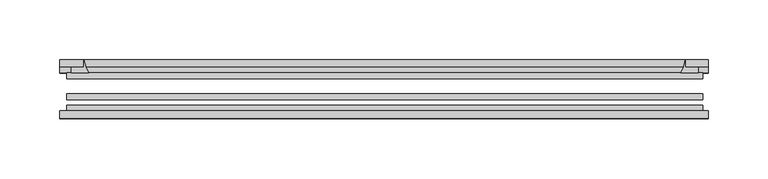
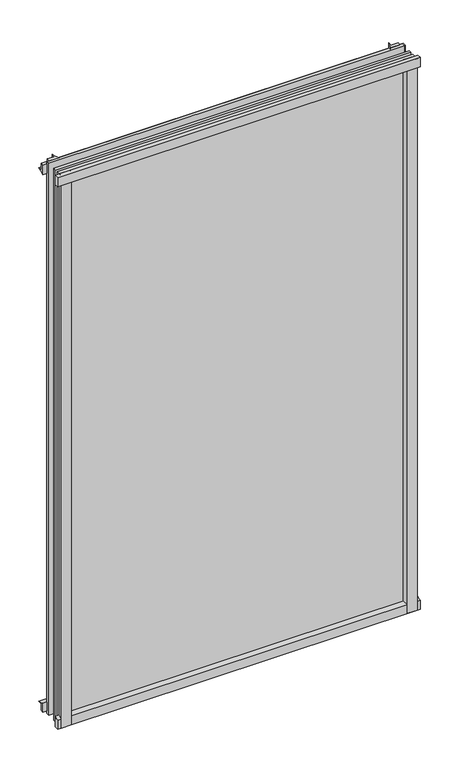
"""IFC4 building model written with IfcOpenShell, lengths in millimetres: plate geometry."""

from ifc_helpers import new_model, si_unit, point, frame, frame_2d, origin, place, context, project, spatial, polyline, circle_curve, trimmed, segment, composite_curve, outline, extrude, source, transform, mapped, element, save


def plate_b88db598(model_context):
    return source(origin(), model_context, "Body", "SweptSolid", [
        extrude(outline(composite_curve([segment(polyline([(-85.1328625, 855.6813002), (-78.7828625, 855.6813002), (-78.7828625, 839.4311909)]), True, "CONTINUOUS"), segment(trimmed(circle_curve(frame_2d((-85.0581856, 830.3814356)), 11.0126179), [point((-78.7828625, 839.4311909))], [point((-85.1328625, 841.3938002))], True, "CARTESIAN"), True, "CONTINUOUS"), segment(polyline([(-85.1328625, 841.3938002), (-85.1328625, 855.6813002)]), True, "CONTINUOUS")], self_intersect=False)), frame((-270.8671875, 0.0, 0.0), z_axis=(1.0, 0.0, 0.0), x_axis=(0.0, 1.0, 0.0)), (0.0, 0.0, 1.0), 540.54375),
        extrude(outline(composite_curve([segment(polyline([(-265.1125, -78.7828625), (-248.2512844, -78.7828625)]), True, "CONTINUOUS"), segment(trimmed(circle_curve(frame_2d((-237.6888809, -86.7604812)), 13.2365693), [point((-248.2512844, -78.7828625))], [point((-250.825, -85.1328625))], True, "CARTESIAN"), True, "CONTINUOUS"), segment(polyline([(-250.825, -85.1328625), (-265.1125, -85.1328625), (-265.1125, -78.7828625)]), True, "CONTINUOUS")], self_intersect=False)), frame((0.0, 0.0, -14.2875), z_axis=(0.0, 0.0, 1.0), x_axis=(1.0, 0.0, 0.0)), (0.0, 0.0, 1.0), 869.95),
        extrude(outline(composite_curve([segment(polyline([(265.1125, -78.7828625), (265.1125, -85.1328625), (250.825, -85.1328625)]), True, "CONTINUOUS"), segment(trimmed(circle_curve(frame_2d((237.6888809, -86.7604812)), 13.2365693), [point((250.825, -85.1328625))], [point((248.2512844, -78.7828625))], True, "CARTESIAN"), True, "CONTINUOUS"), segment(polyline([(248.2512844, -78.7828625), (265.1125, -78.7828625)]), True, "CONTINUOUS")], self_intersect=False)), frame((0.0, 0.0, -14.2875), z_axis=(0.0, 0.0, 1.0), x_axis=(1.0, 0.0, 0.0)), (0.0, 0.0, 1.0), 869.95),
        extrude(outline(composite_curve([segment(polyline([(-47.1852625, -10.4712201), (-47.1852625, 3.9588469)]), True, "CONTINUOUS"), segment(trimmed(circle_curve(frame_2d((-30.6824422, 32.267054)), 32.7673262), [point((-47.1852625, 3.9588469))], [point((-36.3503395, -0.00635))], True, "CARTESIAN"), True, "CONTINUOUS"), segment(polyline([(-36.3503395, -0.00635), (-42.2830625, -0.00635), (-42.2830625, -10.4712201), (-47.1852625, -10.4712201)]), True, "CONTINUOUS")], self_intersect=False)), frame((-270.8671875, 0.0, 0.0), z_axis=(1.0, 0.0, 0.0), x_axis=(0.0, 1.0, 0.0)), (0.0, 0.0, 1.0), 540.54375),
        extrude(outline(composite_curve([segment(polyline([(-78.7828625, -14.2875), (-85.1328625, -14.2875), (-85.1328625, -0.0127)]), True, "CONTINUOUS"), segment(trimmed(circle_curve(frame_2d((-86.7604812, 13.1234191)), 13.2365693), [point((-85.1328625, -0.0127))], [point((-78.7828625, 2.5610156))], True, "CARTESIAN"), True, "CONTINUOUS"), segment(polyline([(-78.7828625, 2.5610156), (-78.7828625, -14.2875)]), True, "CONTINUOUS")], self_intersect=False)), frame((-270.8671875, 0.0, 0.0), z_axis=(1.0, 0.0, 0.0), x_axis=(0.0, 1.0, 0.0)), (0.0, 0.0, 1.0), 540.54375),
        extrude(outline(composite_curve([segment(polyline([(-47.1852625, 837.4034531), (-47.1852625, 852.0752564), (-42.2830625, 852.0752564), (-42.2830625, 841.375), (-36.3140625, 841.375)]), True, "CONTINUOUS"), segment(trimmed(circle_curve(frame_2d((-30.6824422, 809.095246)), 32.7673262), [point((-36.3140625, 841.375))], [point((-47.1852625, 837.4034531))], True, "CARTESIAN"), True, "CONTINUOUS")], self_intersect=False)), frame((-270.8671875, 0.0, 0.0), z_axis=(1.0, 0.0, 0.0), x_axis=(0.0, 1.0, 0.0)), (0.0, 0.0, 1.0), 540.54375),
        extrude(outline(composite_curve([segment(trimmed(circle_curve(frame_2d((218.545246, -30.6824422)), 32.7673262), [point((246.8534531, -47.1852625))], [point((250.825, -36.3140625))], True, "CARTESIAN"), True, "CONTINUOUS"), segment(polyline([(250.825, -36.3140625), (250.825, -42.2830625), (261.5253653, -42.2830625), (261.5253653, -47.1852625), (246.8534531, -47.1852625)]), True, "CONTINUOUS")], self_intersect=False)), frame((0.0, 0.0, -14.2875), z_axis=(0.0, 0.0, 1.0), x_axis=(1.0, 0.0, 0.0)), (0.0, 0.0, 1.0), 869.95),
        extrude(outline(composite_curve([segment(polyline([(-246.8534531, -47.1852625), (-261.5202092, -47.1852625), (-261.5202092, -42.2830625), (-250.825, -42.2830625), (-250.825, -36.3140625)]), True, "CONTINUOUS"), segment(trimmed(circle_curve(frame_2d((-218.545246, -30.6824422)), 32.7673262), [point((-250.825, -36.3140625))], [point((-246.8534531, -47.1852625))], True, "CARTESIAN"), True, "CONTINUOUS")], self_intersect=False)), frame((0.0, 0.0, -14.2875), z_axis=(0.0, 0.0, 1.0), x_axis=(1.0, 0.0, 0.0)), (0.0, 0.0, 1.0), 869.95),
        extrude(outline(polyline([(265.1125, -64.6604625), (265.1125, -69.4356625), (-265.1125, -69.4356625), (-265.1125, -64.6604625), (265.1125, -64.6604625)])), frame((0.0, 0.0, -14.2875), z_axis=(0.0, 0.0, 1.0), x_axis=(1.0, 0.0, 0.0)), (0.0, 0.0, 1.0), 869.95),
        extrude(outline(polyline([(-265.1125, -78.7828625), (-265.1125, -74.0076625), (265.1125, -74.0076625), (265.1125, -78.7828625), (-265.1125, -78.7828625)])), frame((0.0, 0.0, -14.2875), z_axis=(0.0, 0.0, 1.0), x_axis=(1.0, 0.0, 0.0)), (0.0, 0.0, 1.0), 869.95),
        extrude(outline(polyline([(-265.1125, -47.1852625), (265.1125, -47.1852625), (265.1125, -51.9604625), (-265.1125, -51.9604625), (-265.1125, -47.1852625)])), frame((0.0, 0.0, -14.2875), z_axis=(0.0, 0.0, 1.0), x_axis=(1.0, 0.0, 0.0)), (0.0, 0.0, 1.0), 869.95),
    ])


if __name__ == "__main__":
    model = new_model("IFC4")
    model_context = context("Model", 3, world=origin())
    ifc_project = project(units=[si_unit("LENGTHUNIT", "METRE", prefix="MILLI")], contexts=[model_context])
    site = spatial("IfcSite", under=ifc_project)
    building = spatial("IfcBuilding", under=site)
    placement = place(None, origin())
    plate_shape = plate_b88db598(model_context)
    element("IfcPlate", 1, at=placement, inside=building, context=model_context, shape_type="MappedRepresentation", body=[
        mapped(plate_shape, transform((0.0, 0.0, 0.0), x_axis=(1.0, 0.0, 0.0), y_axis=(0.0, 1.0, 0.0), z_axis=(0.0, 0.0, 1.0))),
    ])
    save(model, "model.ifc")
